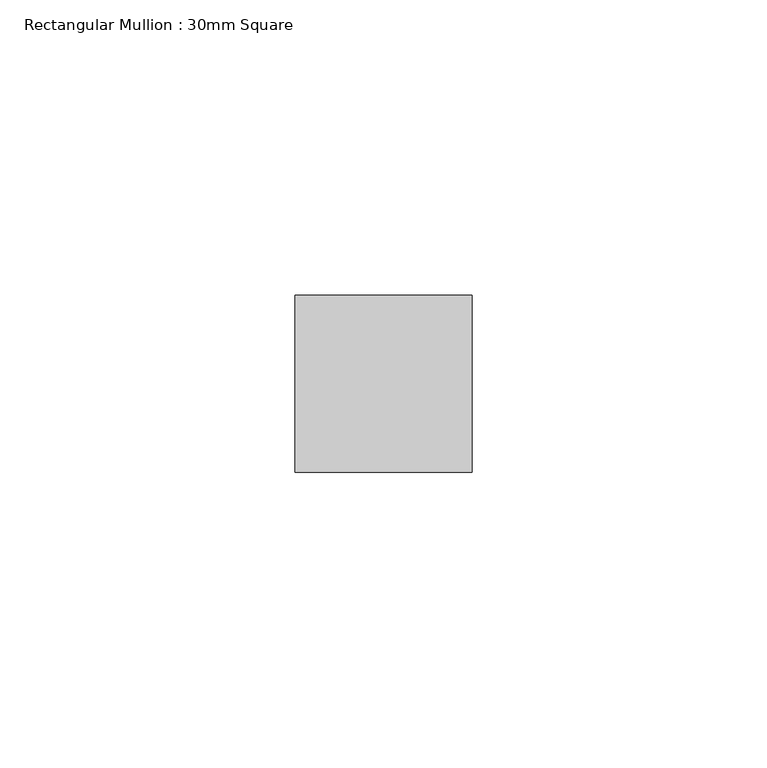
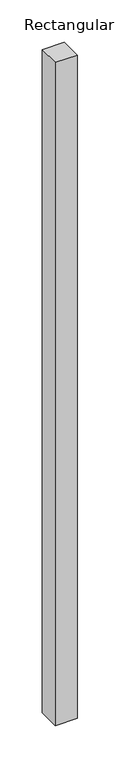
"""IFC4 building model written with IfcOpenShell, lengths in millimetres: member geometry, Rectangular Mullion : 30mm Square."""

from ifc_helpers import new_model, si_unit, frame, origin, place, context, project, spatial, polyline, outline, extrude, source, transform, mapped, element, save


def rectangular_mullion_30mm_square_beb6d198(model_context):
    return source(origin(), model_context, "Body", "SweptSolid", [
        extrude(outline(polyline([(15.0, 15.0), (15.0, -15.0), (-15.0, -15.0), (-15.0, 15.0), (15.0, 15.0)])), frame((0.0, 0.0, -954.445556), z_axis=(0.0, 0.0, 1.0), x_axis=(1.0, 0.0, 0.0)), (0.0, 0.0, 1.0), 954.445556),
    ])


if __name__ == "__main__":
    model = new_model("IFC4")
    model_context = context("Model", 3, world=origin())
    ifc_project = project(units=[si_unit("LENGTHUNIT", "METRE", prefix="MILLI")], contexts=[model_context])
    site = spatial("IfcSite", under=ifc_project)
    building = spatial("IfcBuilding", under=site)
    placement = place(None, origin())
    rectangular_mullion_30mm_square_shape = rectangular_mullion_30mm_square_beb6d198(model_context)
    element("IfcMember", 1, ObjectType="Rectangular Mullion : 30mm Square", at=placement, inside=building, context=model_context, shape_type="MappedRepresentation", body=[
        mapped(rectangular_mullion_30mm_square_shape, transform((0.0, 0.0, 0.0), x_axis=(1.0, 0.0, 0.0), y_axis=(0.0, 1.0, 0.0), z_axis=(0.0, 0.0, 1.0))),
    ])
    save(model, "model.ifc")
